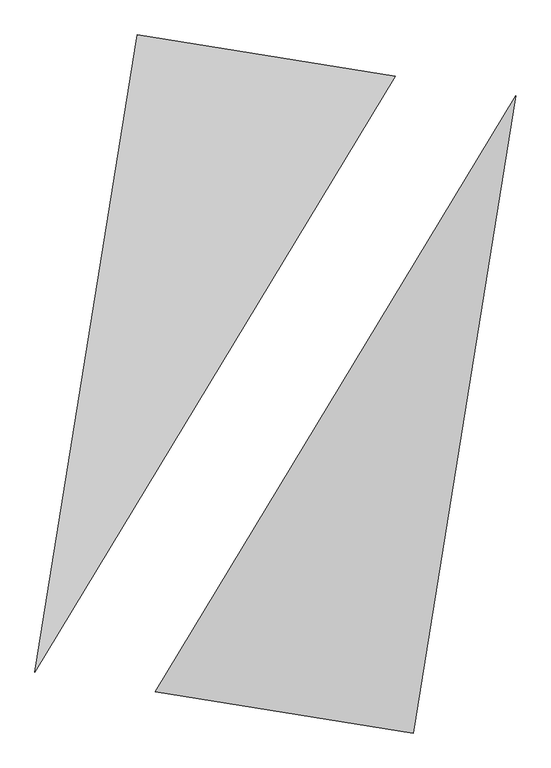
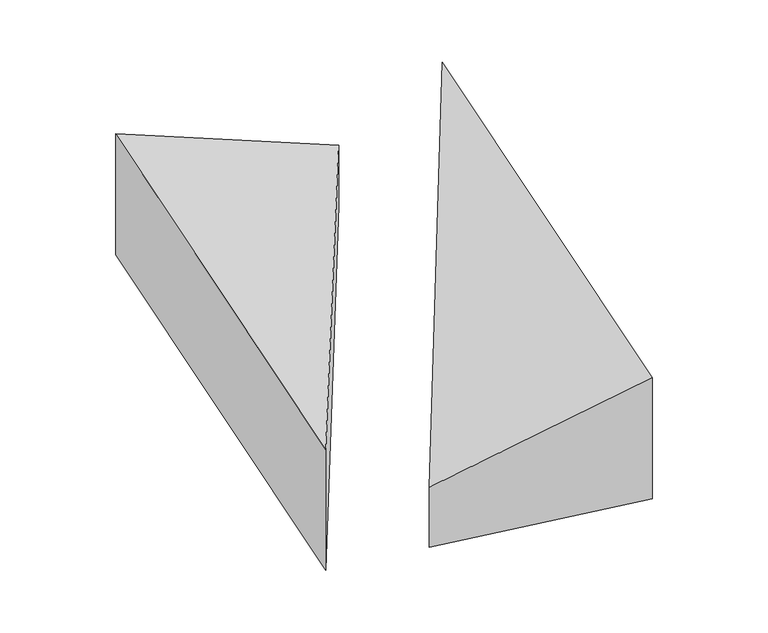
"""IFC4 building model written with IfcOpenShell, lengths in millimetres: proxy geometry."""

from ifc_helpers import new_model, si_unit, origin, place, context, project, spatial, faceted_brep, source, transform, mapped, element, save


def generic_models_f9ba4394(model_context):
    return source(origin(), model_context, "Body", "Brep", [
        faceted_brep([(744.7940623, 1906.1517192, 0.0), (-856.0170022, 2162.7277087, 0.0), (-856.0170022, 2162.7277087, 1000.0), (744.7940623, 1906.1517192, 500.0), (-1489.0524341, -1786.862921, 0.0), (-1489.0524341, -1786.862921, 1000.0)], [[[0, 1, 2, 3]], [[1, 4, 5, 2]], [[4, 0, 3, 5]], [[3, 2, 5]], [[0, 4, 1]]]),
        faceted_brep([(856.0170022, -2162.7277087, 0.0), (1489.0524341, 1786.862921, 0.0), (1489.0524341, 1786.862921, 1000.0), (856.0170022, -2162.7277087, 1000.0), (-744.7940623, -1906.1517192, 0.0), (-744.7940623, -1906.1517192, 500.0)], [[[0, 1, 2, 3]], [[1, 4, 5, 2]], [[4, 0, 3, 5]], [[2, 5, 3]], [[0, 4, 1]]]),
    ])


if __name__ == "__main__":
    model = new_model("IFC4")
    model_context = context("Model", 3, world=origin())
    ifc_project = project(units=[si_unit("LENGTHUNIT", "METRE", prefix="MILLI")], contexts=[model_context])
    site = spatial("IfcSite", under=ifc_project)
    building = spatial("IfcBuilding", under=site)
    placement = place(None, origin())
    generic_models_shape = generic_models_f9ba4394(model_context)
    element("IfcBuildingElementProxy", 1, Name="Generic Models", at=placement, inside=building, context=model_context, shape_type="MappedRepresentation", body=[
        mapped(generic_models_shape, transform((0.0, 0.0, 0.0), x_axis=(1.0, 0.0, 0.0), y_axis=(0.0, 1.0, 0.0), z_axis=(0.0, 0.0, 1.0))),
    ])
    save(model, "model.ifc")
